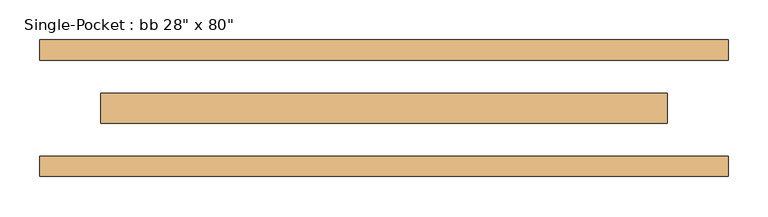
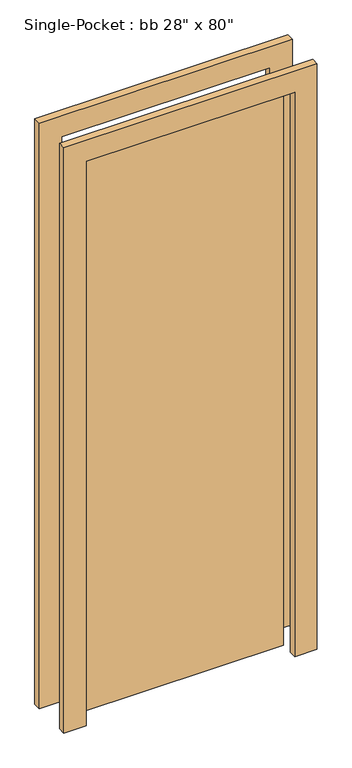
"""IFC4 building model written with IfcOpenShell, lengths in millimetres: door geometry."""

from ifc_helpers import new_model, si_unit, frame, origin, origin_with_axes, place, context, project, spatial, polyline, outline, extrude, source, transform, mapped, element, save


def door_d7ca1464(model_context):
    return source(origin(), model_context, "Body", "SweptSolid", [
        extrude(outline(polyline([(355.6, 19.05), (355.6, -19.05), (-355.6, -19.05), (-355.6, 19.05), (355.6, 19.05)])), origin_with_axes(), (0.0, 0.0, 1.0), 2032.0),
        extrude(outline(polyline([(2108.2, -431.8), (0.0, -431.8), (0.0, -355.6), (2032.0, -355.6), (2032.0, 355.6), (0.0, 355.6), (0.0, 431.8), (2108.2, 431.8), (2108.2, -431.8)])), frame((0.0, 60.325, 0.0), z_axis=(0.0, 1.0, 0.0), x_axis=(0.0, 0.0, 1.0)), (0.0, 0.0, 1.0), 25.4),
        extrude(outline(polyline([(2108.2, 431.8), (2108.2, -431.8), (0.0, -431.8), (0.0, -355.6), (2032.0, -355.6), (2032.0, 355.6), (0.0, 355.6), (0.0, 431.8), (2108.2, 431.8)])), frame((0.0, -85.725, 0.0), z_axis=(0.0, 1.0, 0.0), x_axis=(0.0, 0.0, 1.0)), (0.0, 0.0, 1.0), 25.4),
    ])


if __name__ == "__main__":
    model = new_model("IFC4")
    model_context = context("Model", 3, world=origin())
    ifc_project = project(units=[si_unit("LENGTHUNIT", "METRE", prefix="MILLI")], contexts=[model_context])
    site = spatial("IfcSite", under=ifc_project)
    building = spatial("IfcBuilding", under=site)
    placement = place(None, origin())
    door_shape = door_d7ca1464(model_context)
    element("IfcDoor", 1, ObjectType="Single-Pocket : bb 28\" x 80\"", at=placement, inside=building, context=model_context, shape_type="MappedRepresentation", body=[
        mapped(door_shape, transform((0.0, 0.0, 0.0), x_axis=(1.0, 0.0, 0.0), y_axis=(0.0, 1.0, 0.0), z_axis=(0.0, 0.0, 1.0))),
    ])
    save(model, "model.ifc")
